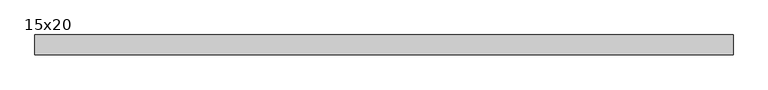
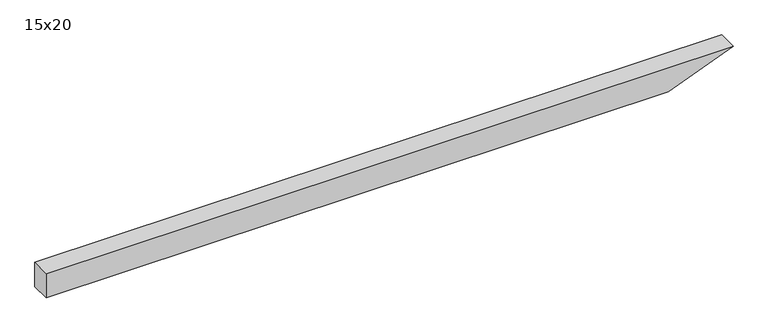
"""IFC4 building model written with IfcOpenShell, lengths in millimetres: beam geometry, 15x20."""

from ifc_helpers import new_model, si_unit, frame, origin, place, context, project, spatial, polyline, outline, extrude, source, transform, mapped, element, save


def beam_15x20_90262e2f(model_context):
    return source(origin(), model_context, "Body", "SweptSolid", [
        extrude(outline(polyline([(100.0, -2574.5), (-100.0, -2574.5), (-100.0, 2238.3), (100.0, 2740.5), (100.0, -2574.5)])), frame((0.0, -75.0, 0.0), z_axis=(0.0, 1.0, 0.0), x_axis=(0.0, 0.0, 1.0)), (0.0, 0.0, 1.0), 150.0),
    ])


if __name__ == "__main__":
    model = new_model("IFC4")
    model_context = context("Model", 3, world=origin())
    ifc_project = project(units=[si_unit("LENGTHUNIT", "METRE", prefix="MILLI")], contexts=[model_context])
    site = spatial("IfcSite", under=ifc_project)
    building = spatial("IfcBuilding", under=site)
    placement = place(None, origin())
    beam_15x20_shape = beam_15x20_90262e2f(model_context)
    element("IfcBeam", 1, ObjectType="15x20", at=placement, inside=building, context=model_context, shape_type="MappedRepresentation", body=[
        mapped(beam_15x20_shape, transform((0.0, 0.0, 0.0), x_axis=(1.0, 0.0, 0.0), y_axis=(0.0, 1.0, 0.0), z_axis=(0.0, 0.0, 1.0))),
    ])
    save(model, "model.ifc")
